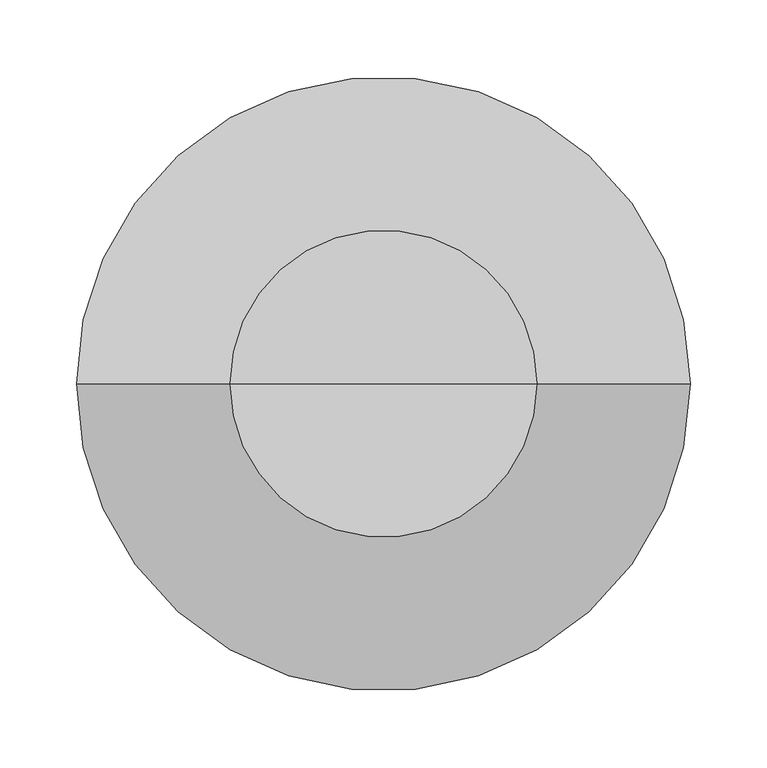
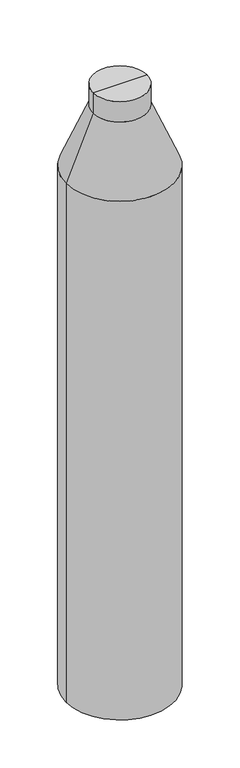
"""IFC4 building model written with IfcOpenShell, lengths in millimetres: column geometry."""

from ifc_helpers import new_model, si_unit, frame, origin, place, context, project, spatial, polyline, circle_curve, source, transform, mapped, element, save
from ifc_brep_helpers import plane_surface, cylinder_surface, revolved_surface, advanced_brep


def column_e1da2bb1(model_context):
    return source(origin(), model_context, "Body", "AdvancedBrep", [
        advanced_brep(
        [(-200.0, 0.0, -569.125), (200.0, 0.0, -569.125), (200.0, 0.0, -2599.125), (-200.0, 0.0, -2599.125), (0.0, 0.0, -2599.125), (-100.0, 0.0, -329.125), (100.0, 0.0, -329.125), (-100.0, 0.0, -249.125), (100.0, 0.0, -249.125), (0.0, 0.0, -249.125)],
        [
            (0, 1, circle_curve(frame((0.0, 0.0, -569.125), z_axis=(0.0, 0.0, -1.0), x_axis=(1.0, 0.0, 0.0)), 200.0)),
            (1, 2),
            (2, 3, circle_curve(frame((0.0, 0.0, -2599.125), z_axis=(0.0, 0.0, 1.0), x_axis=(1.0, 0.0, 0.0)), 200.0)),
            (3, 0),
            (2, 4),
            (4, 3),
            (2, 3, circle_curve(frame((0.0, 0.0, -2599.125), z_axis=(0.0, 0.0, -1.0), x_axis=(1.0, 0.0, 0.0)), 200.0)),
            (1, 0, circle_curve(frame((0.0, 0.0, -569.125), z_axis=(0.0, 0.0, -1.0), x_axis=(1.0, 0.0, 0.0)), 200.0)),
            (5, 6, circle_curve(frame((0.0, 0.0, -329.125), z_axis=(0.0, 0.0, -1.0), x_axis=(1.0, 0.0, 0.0)), 100.0)),
            (6, 1),
            (0, 5),
            (6, 5, circle_curve(frame((0.0, 0.0, -329.125), z_axis=(0.0, 0.0, -1.0), x_axis=(1.0, 0.0, 0.0)), 100.0)),
            (7, 8, circle_curve(frame((0.0, 0.0, -249.125), z_axis=(0.0, 0.0, -1.0), x_axis=(1.0, 0.0, 0.0)), 100.0)),
            (8, 6),
            (5, 7),
            (8, 7, circle_curve(frame((0.0, 0.0, -249.125), z_axis=(0.0, 0.0, -1.0), x_axis=(1.0, 0.0, 0.0)), 100.0)),
            (9, 8),
            (7, 9),
        ],
        [
            cylinder_surface(frame((0.0, 0.0, -607.8940014), z_axis=(0.0, 0.0, 1.0), x_axis=(1.0, 0.0, 0.0)), 200.0),
            plane_surface(frame((0.0, 0.0, -2599.125), z_axis=(0.0, 0.0, -1.0), x_axis=(1.0, 0.0, 0.0))),
            revolved_surface(polyline([(200.0, 0.0, -569.125), (100.0, 0.0, -329.125)]), (0.0, 0.0, -607.8940014), (0.0, 0.0, 1.0)),
            cylinder_surface(frame((0.0, 0.0, -607.8940014), z_axis=(0.0, 0.0, 1.0), x_axis=(1.0, 0.0, 0.0)), 100.0),
            plane_surface(frame((0.0, 0.0, -249.125), z_axis=(0.0, 0.0, 1.0), x_axis=(1.0, 0.0, 0.0))),
        ],
        [
            (0, [[1, 2, 3, 4]]),
            (1, [[-3, 5, 6]]),
            (1, [[7, -6, -5]]),
            (0, [[8, -4, -7, -2]]),
            (2, [[9, 10, -1, 11]]),
            (2, [[12, -11, -8, -10]]),
            (3, [[13, 14, -9, 15]]),
            (3, [[16, -15, -12, -14]]),
            (4, [[17, -13, 18]]),
            (4, [[-18, -16, -17]]),
        ],
    ),
    ])


if __name__ == "__main__":
    model = new_model("IFC4")
    model_context = context("Model", 3, world=origin())
    ifc_project = project(units=[si_unit("LENGTHUNIT", "METRE", prefix="MILLI")], contexts=[model_context])
    site = spatial("IfcSite", under=ifc_project)
    building = spatial("IfcBuilding", under=site)
    placement = place(None, origin())
    column_shape = column_e1da2bb1(model_context)
    element("IfcColumn", 1, at=placement, inside=building, context=model_context, shape_type="MappedRepresentation", body=[
        mapped(column_shape, transform((0.0, 0.0, 0.0), x_axis=(1.0, 0.0, 0.0), y_axis=(0.0, 1.0, 0.0), z_axis=(0.0, 0.0, 1.0))),
    ])
    save(model, "model.ifc")
